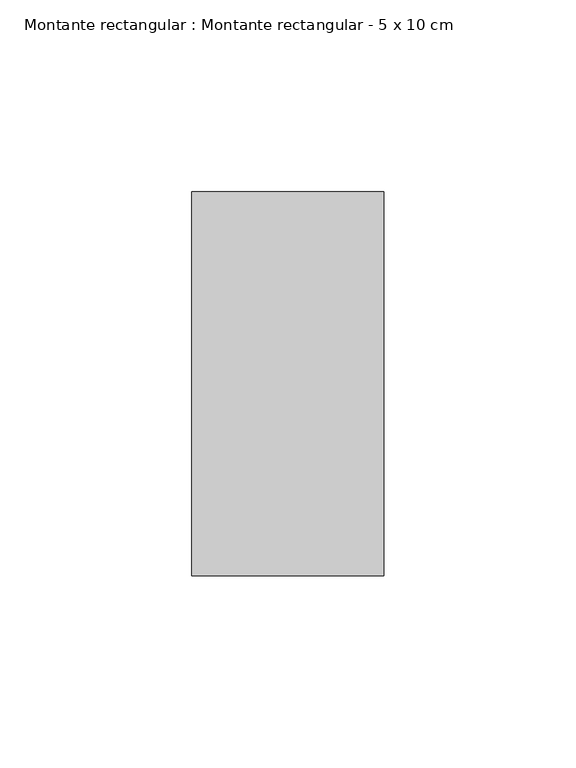
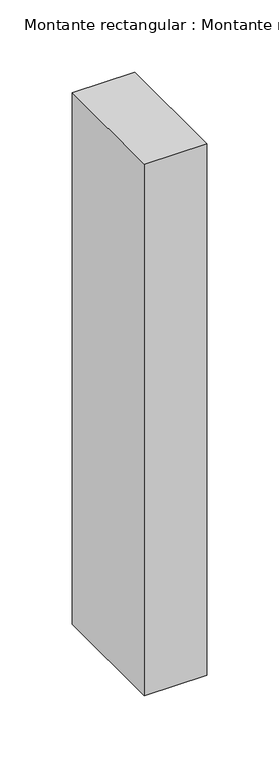
"""IFC4 building model written with IfcOpenShell, lengths in millimetres: member geometry, Montante rectangular : Montante rectangular - 5 x 10 cm."""

from ifc_helpers import new_model, si_unit, frame, origin, place, context, project, spatial, polyline, outline, extrude, source, transform, mapped, element, save


def montante_rectangular_montante_rectangular_5_x_10_cm_66c8ecef(model_context):
    return source(origin(), model_context, "Body", "SweptSolid", [
        extrude(outline(polyline([(25.0, 50.0), (25.0, -50.0), (-25.0, -50.0), (-25.0, 50.0), (25.0, 50.0)])), frame((0.0, 0.0, -450.0), z_axis=(0.0, 0.0, 1.0), x_axis=(1.0, 0.0, 0.0)), (0.0, 0.0, 1.0), 450.0),
    ])


if __name__ == "__main__":
    model = new_model("IFC4")
    model_context = context("Model", 3, world=origin())
    ifc_project = project(units=[si_unit("LENGTHUNIT", "METRE", prefix="MILLI")], contexts=[model_context])
    site = spatial("IfcSite", under=ifc_project)
    building = spatial("IfcBuilding", under=site)
    placement = place(None, origin())
    montante_rectangular_montante_rectangular_5_x_10_cm_shape = montante_rectangular_montante_rectangular_5_x_10_cm_66c8ecef(model_context)
    element("IfcMember", 1, ObjectType="Montante rectangular : Montante rectangular - 5 x 10 cm", at=placement, inside=building, context=model_context, shape_type="MappedRepresentation", body=[
        mapped(montante_rectangular_montante_rectangular_5_x_10_cm_shape, transform((0.0, 0.0, 0.0), x_axis=(1.0, 0.0, 0.0), y_axis=(0.0, 1.0, 0.0), z_axis=(0.0, 0.0, 1.0))),
    ])
    save(model, "model.ifc")
